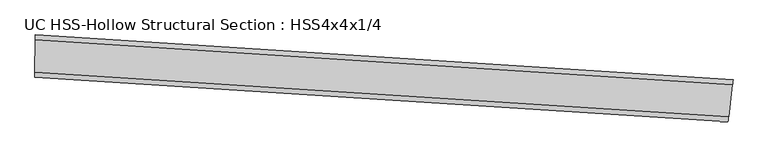
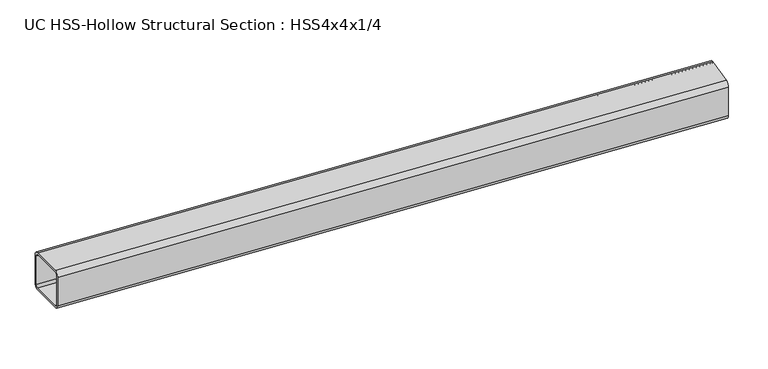
"""IFC4 building model written with IfcOpenShell, lengths in millimetres: beam geometry, UC HSS-Hollow Structural Section : HSS4x4x1/4."""

from ifc_helpers import new_model, si_unit, point, frame, origin, place, context, project, spatial, polyline, circle_curve, ellipse_curve, trimmed, source, transform, mapped, element, save
from ifc_brep_helpers import plane_surface, cylinder_surface, revolved_surface, advanced_brep


def uc_hss_hollow_structural_section_hss4x4x1_4_ca651f23(model_context):
    return source(origin(), model_context, "Body", "AdvancedBrep", [
        advanced_brep(
        [(1769.2409507, -57.3490586, 38.9636), (1767.7992814, -69.0973331, 50.8), (1758.3077762, -146.4443423, 50.8), (1756.866107, -158.1926169, 38.9636), (1756.866107, -158.1926169, -38.9636), (1758.3077762, -146.4443423, -50.8), (1767.7992814, -69.0973331, -50.8), (1769.2409507, -57.3490586, -38.9636), (1758.3077762, -146.4443423, 44.8818), (1767.7992814, -69.0973331, 44.8818), (1768.520116, -63.2231959, 38.9636), (1768.520116, -63.2231959, -38.9636), (1767.7992814, -69.0973331, -44.8818), (1758.3077762, -146.4443423, -44.8818), (1757.5869416, -152.3184796, -38.9636), (1757.5869416, -152.3184796, 38.9636), (89.6003282, 50.5236545, 38.9636), (89.6003282, 50.5236545, -38.9636), (89.5273172, 38.6874797, -50.8), (89.0466353, -39.2382378, -50.8), (88.9736243, -51.0744126, -38.9636), (88.9736243, -51.0744126, 38.9636), (89.0466353, -39.2382378, 50.8), (89.5273172, 38.6874797, 50.8), (89.0466353, -39.2382378, 44.8818), (89.0101298, -45.1563252, 38.9636), (89.0101298, -45.1563252, -38.9636), (89.0466353, -39.2382378, -44.8818), (89.5273172, 38.6874797, -44.8818), (89.5638227, 44.6055671, -38.9636), (89.5638227, 44.6055671, 38.9636), (89.5273172, 38.6874797, 44.8818)],
        [
            (0, 1, circle_curve(frame((1767.7992814, -69.0973331, 38.9636), z_axis=(0.9925547073177132, -0.12179964278046354, 0.0), x_axis=(-0.12179964278046354, -0.9925547073177132, 0.0)), 11.8364)),
            (1, 2),
            (2, 3, circle_curve(frame((1758.3077762, -146.4443423, 38.9636), z_axis=(0.9925547073177132, -0.12179964278046354, 0.0), x_axis=(-0.12179964278046354, -0.9925547073177132, 0.0)), 11.8364)),
            (3, 4),
            (4, 5, circle_curve(frame((1758.3077762, -146.4443423, -38.9636), z_axis=(0.9925547073177132, -0.12179964278046354, 0.0), x_axis=(-0.12179964278046354, -0.9925547073177132, 0.0)), 11.8364)),
            (5, 6),
            (6, 7, circle_curve(frame((1767.7992814, -69.0973331, -38.9636), z_axis=(0.9925547073177132, -0.12179964278046354, 0.0), x_axis=(-0.12179964278046354, -0.9925547073177132, 0.0)), 11.8364)),
            (7, 0),
            (8, 9),
            (9, 10, circle_curve(frame((1767.7992814, -69.0973331, 38.9636), z_axis=(-0.9925547073177132, 0.12179964278046354, 0.0), x_axis=(-0.12179964278046354, -0.9925547073177132, 0.0)), 5.9182)),
            (10, 11),
            (11, 12, circle_curve(frame((1767.7992814, -69.0973331, -38.9636), z_axis=(-0.9925547073177132, 0.12179964278046354, 0.0), x_axis=(-0.12179964278046354, -0.9925547073177132, 0.0)), 5.9182)),
            (12, 13),
            (13, 14, circle_curve(frame((1758.3077762, -146.4443423, -38.9636), z_axis=(-0.9925547073177132, 0.12179964278046354, 0.0), x_axis=(-0.12179964278046354, -0.9925547073177132, 0.0)), 5.9182)),
            (14, 15),
            (15, 8, circle_curve(frame((1758.3077762, -146.4443423, 38.9636), z_axis=(-0.9925547073177132, 0.12179964278046354, 0.0), x_axis=(-0.12179964278046354, -0.9925547073177132, 0.0)), 5.9182)),
            (16, 17),
            (17, 18, circle_curve(frame((89.5273172, 38.6874797, -38.9636), z_axis=(-0.9999809755811393, 0.006168344655837682, 0.0), x_axis=(-0.006168344655837682, -0.9999809755811393, 0.0)), 11.8364)),
            (18, 19),
            (19, 20, circle_curve(frame((89.0466353, -39.2382378, -38.9636), z_axis=(-0.9999809755811393, 0.006168344655837682, 0.0), x_axis=(-0.006168344655837682, -0.9999809755811393, 0.0)), 11.8364)),
            (20, 21),
            (21, 22, circle_curve(frame((89.0466353, -39.2382378, 38.9636), z_axis=(-0.9999809755811393, 0.006168344655837682, 0.0), x_axis=(-0.006168344655837682, -0.9999809755811393, 0.0)), 11.8364)),
            (22, 23),
            (23, 16, circle_curve(frame((89.5273172, 38.6874797, 38.9636), z_axis=(-0.9999809755811393, 0.006168344655837682, 0.0), x_axis=(-0.006168344655837682, -0.9999809755811393, 0.0)), 11.8364)),
            (24, 25, circle_curve(frame((89.0466353, -39.2382378, 38.9636), z_axis=(0.9999809755811393, -0.006168344655837682, 0.0), x_axis=(-0.006168344655837682, -0.9999809755811393, 0.0)), 5.9182)),
            (25, 26),
            (26, 27, circle_curve(frame((89.0466353, -39.2382378, -38.9636), z_axis=(0.9999809755811393, -0.006168344655837682, 0.0), x_axis=(-0.006168344655837682, -0.9999809755811393, 0.0)), 5.9182)),
            (27, 28),
            (28, 29, circle_curve(frame((89.5273172, 38.6874797, -38.9636), z_axis=(0.9999809755811393, -0.006168344655837682, 0.0), x_axis=(-0.006168344655837682, -0.9999809755811393, 0.0)), 5.9182)),
            (29, 30),
            (30, 31, circle_curve(frame((89.5273172, 38.6874797, 38.9636), z_axis=(0.9999809755811393, -0.006168344655837682, 0.0), x_axis=(-0.006168344655837682, -0.9999809755811393, 0.0)), 5.9182)),
            (31, 24),
            (0, 16, circle_curve(frame((0.0, -14475.0303741, 38.9636), z_axis=(0.0, 0.0, 1.0), x_axis=(-0.1195687675970145, -0.9928259212043827, 0.0)), 14525.8303741)),
            (23, 1, circle_curve(frame((0.0, -14475.0303741, 50.8), z_axis=(0.0, 0.0, -1.0), x_axis=(-0.1195687675970145, -0.9928259212043827, 0.0)), 14513.9939741)),
            (22, 2, circle_curve(frame((0.0, -14475.0303741, 50.8), z_axis=(0.0, 0.0, -1.0), x_axis=(-0.1195687675970145, -0.9928259212043827, 0.0)), 14436.0667741)),
            (21, 3, circle_curve(frame((0.0, -14475.0303741, 38.9636), z_axis=(0.0, 0.0, -1.0), x_axis=(-0.1195687675970145, -0.9928259212043827, 0.0)), 14424.2303741)),
            (20, 4, circle_curve(frame((0.0, -14475.0303741, -38.9636), z_axis=(0.0, 0.0, -1.0), x_axis=(-0.1195687675970145, -0.9928259212043827, 0.0)), 14424.2303741)),
            (19, 5, circle_curve(frame((0.0, -14475.0303741, -50.8), z_axis=(0.0, 0.0, -1.0), x_axis=(-0.1195687675970145, -0.9928259212043827, 0.0)), 14436.0667741)),
            (18, 6, circle_curve(frame((0.0, -14475.0303741, -50.8), z_axis=(0.0, 0.0, -1.0), x_axis=(-0.1195687675970145, -0.9928259212043827, 0.0)), 14513.9939741)),
            (17, 7, circle_curve(frame((0.0, -14475.0303741, -38.9636), z_axis=(0.0, 0.0, -1.0), x_axis=(-0.1195687675970145, -0.9928259212043827, 0.0)), 14525.8303741)),
            (8, 24, circle_curve(frame((0.0, -14475.0303741, 44.8818), z_axis=(0.0, 0.0, 1.0), x_axis=(-0.1195687675970145, -0.9928259212043827, 0.0)), 14436.0667741)),
            (31, 9, circle_curve(frame((0.0, -14475.0303741, 44.8818), z_axis=(0.0, 0.0, -1.0), x_axis=(-0.1195687675970145, -0.9928259212043827, 0.0)), 14513.9939741)),
            (30, 10, circle_curve(frame((0.0, -14475.0303741, 38.9636), z_axis=(0.0, 0.0, -1.0), x_axis=(-0.1195687675970145, -0.9928259212043827, 0.0)), 14519.9121741)),
            (29, 11, circle_curve(frame((0.0, -14475.0303741, -38.9636), z_axis=(0.0, 0.0, -1.0), x_axis=(-0.1195687675970145, -0.9928259212043827, 0.0)), 14519.9121741)),
            (28, 12, circle_curve(frame((0.0, -14475.0303741, -44.8818), z_axis=(0.0, 0.0, -1.0), x_axis=(-0.1195687675970145, -0.9928259212043827, 0.0)), 14513.9939741)),
            (27, 13, circle_curve(frame((0.0, -14475.0303741, -44.8818), z_axis=(0.0, 0.0, -1.0), x_axis=(-0.1195687675970145, -0.9928259212043827, 0.0)), 14436.0667741)),
            (26, 14, circle_curve(frame((0.0, -14475.0303741, -38.9636), z_axis=(0.0, 0.0, -1.0), x_axis=(-0.1195687675970145, -0.9928259212043827, 0.0)), 14430.1485741)),
            (25, 15, circle_curve(frame((0.0, -14475.0303741, 38.9636), z_axis=(0.0, 0.0, -1.0), x_axis=(-0.1195687675970145, -0.9928259212043827, 0.0)), 14430.1485741)),
        ],
        [
            plane_surface(frame((1763.0535288, -107.7708377, 0.0), z_axis=(0.9925547073177118, -0.12179964278047657, 0.0), x_axis=(0.0, 0.0, 1.0))),
            plane_surface(frame((89.2869763, -0.275379, 0.0), z_axis=(-0.9999809755811392, 0.006168344655844121, 0.0), x_axis=(0.0, 0.0, 1.0))),
            revolved_surface(trimmed(ellipse_curve(frame((-1735.4203724, -28884.8998119, 38.9636), z_axis=(0.9928259212043834, -0.11956876759700853, 0.0), x_axis=(0.11956876759700853, 0.9928259212043834, 0.0)), 11.8364, 11.8364), [point((-1735.4203724, -28884.8998119, 50.8))], [point((-1736.8356362, -28896.6512966, 38.9636))], True, "CARTESIAN"), (0.0, -14475.0303741, 0.0), (0.0, 0.0, -1.0)),
            plane_surface(frame((0.0, -14475.0303741, 50.8), z_axis=(0.0, 0.0, 1.0), x_axis=(-0.1195687675970145, -0.9928259212043827, 0.0))),
            revolved_surface(trimmed(ellipse_curve(frame((-1726.1027131, -28807.5316677, 38.9636), z_axis=(0.9928259212043834, -0.11956876759700853, 0.0), x_axis=(0.11956876759700853, 0.9928259212043834, 0.0)), 11.8364, 11.8364), [point((-1724.6874494, -28795.780183, 38.9636))], [point((-1726.1027131, -28807.5316677, 50.8))], True, "CARTESIAN"), (0.0, -14475.0303741, 0.0), (0.0, 0.0, -1.0)),
            revolved_surface(polyline([(-1724.6874493665603, -28795.780182930073, -38.9636), (-1724.6874493665603, -28795.780182930073, 38.9636)]), (0.0, -14475.0303741, 0.0), (0.0, 0.0, -1.0)),
            revolved_surface(trimmed(ellipse_curve(frame((-1726.1027131, -28807.5316677, -38.9636), z_axis=(0.9928259212043834, -0.11956876759700853, 0.0), x_axis=(0.11956876759700853, 0.9928259212043834, 0.0)), 11.8364, 11.8364), [point((-1726.1027131, -28807.5316677, -50.8))], [point((-1724.6874494, -28795.780183, -38.9636))], True, "CARTESIAN"), (0.0, -14475.0303741, 0.0), (0.0, 0.0, -1.0)),
            plane_surface(frame((0.0, -14475.0303741, -50.8), z_axis=(0.0, 0.0, -1.0), x_axis=(-0.1195687675970145, -0.9928259212043827, 0.0))),
            revolved_surface(trimmed(ellipse_curve(frame((-1735.4203724, -28884.8998119, -38.9636), z_axis=(0.9928259212043834, -0.11956876759700853, 0.0), x_axis=(0.11956876759700853, 0.9928259212043834, 0.0)), 11.8364, 11.8364), [point((-1736.8356362, -28896.6512966, -38.9636))], [point((-1735.4203724, -28884.8998119, -50.8))], True, "CARTESIAN"), (0.0, -14475.0303741, 0.0), (0.0, 0.0, -1.0)),
            cylinder_surface(frame((0.0, -14475.0303741, 0.0), z_axis=(0.0, 0.0, -1.0), x_axis=(-0.1195687675970145, -0.9928259212043827, 0.0)), 14525.8303741),
            plane_surface(frame((0.0, -14475.0303741, 44.8818), z_axis=(0.0, 0.0, -1.0), x_axis=(-0.1195687675970145, -0.9928259212043827, 0.0))),
            revolved_surface(trimmed(ellipse_curve(frame((-1735.4203724, -28884.8998119, 38.9636), z_axis=(-0.9928259212043834, 0.11956876759700853, 0.0), x_axis=(0.11956876759700853, 0.9928259212043834, 0.0)), 5.9182, 5.9182), [point((-1736.1280043, -28890.7755542, 38.9636))], [point((-1735.4203724, -28884.8998119, 44.8818))], True, "CARTESIAN"), (0.0, -14475.0303741, 0.0), (0.0, 0.0, -1.0)),
            revolved_surface(polyline([(-1736.1280042740245, -28890.775554157564, -38.9636), (-1736.1280042740245, -28890.775554157564, 38.9636)]), (0.0, -14475.0303741, 0.0), (0.0, 0.0, -1.0)),
            revolved_surface(trimmed(ellipse_curve(frame((-1735.4203724, -28884.8998119, -38.9636), z_axis=(-0.9928259212043834, 0.11956876759700853, 0.0), x_axis=(0.11956876759700853, 0.9928259212043834, 0.0)), 5.9182, 5.9182), [point((-1735.4203724, -28884.8998119, -44.8818))], [point((-1736.1280043, -28890.7755542, -38.9636))], True, "CARTESIAN"), (0.0, -14475.0303741, 0.0), (0.0, 0.0, -1.0)),
            plane_surface(frame((0.0, -14475.0303741, -44.8818), z_axis=(0.0, 0.0, 1.0), x_axis=(-0.1195687675970145, -0.9928259212043827, 0.0))),
            revolved_surface(trimmed(ellipse_curve(frame((-1726.1027131, -28807.5316677, -38.9636), z_axis=(-0.9928259212043834, 0.11956876759700853, 0.0), x_axis=(0.11956876759700853, 0.9928259212043834, 0.0)), 5.9182, 5.9182), [point((-1725.3950813, -28801.6559254, -38.9636))], [point((-1726.1027131, -28807.5316677, -44.8818))], True, "CARTESIAN"), (0.0, -14475.0303741, 0.0), (0.0, 0.0, -1.0)),
            cylinder_surface(frame((0.0, -14475.0303741, 0.0), z_axis=(0.0, 0.0, -1.0), x_axis=(-0.1195687675970145, -0.9928259212043827, 0.0)), 14430.1485741),
            revolved_surface(trimmed(ellipse_curve(frame((-1726.1027131, -28807.5316677, 38.9636), z_axis=(-0.9928259212043834, 0.11956876759700853, 0.0), x_axis=(0.11956876759700853, 0.9928259212043834, 0.0)), 5.9182, 5.9182), [point((-1726.1027131, -28807.5316677, 44.8818))], [point((-1725.3950813, -28801.6559254, 38.9636))], True, "CARTESIAN"), (0.0, -14475.0303741, 0.0), (0.0, 0.0, -1.0)),
        ],
        [
            (0, [[1, 2, 3, 4, 5, 6, 7, 8], [9, 10, 11, 12, 13, 14, 15, 16]]),
            (1, [[17, 18, 19, 20, 21, 22, 23, 24], [25, 26, 27, 28, 29, 30, 31, 32]]),
            (2, [[-1, 33, -24, 34]]),
            (3, [[-2, -34, -23, 35]]),
            (4, [[-3, -35, -22, 36]]),
            (5, [[-4, -36, -21, 37]]),
            (6, [[-5, -37, -20, 38]]),
            (7, [[-6, -38, -19, 39]]),
            (8, [[-7, -39, -18, 40]]),
            (9, [[-8, -40, -17, -33]]),
            (10, [[-9, 41, -32, 42]]),
            (11, [[-10, -42, -31, 43]]),
            (12, [[-11, -43, -30, 44]]),
            (13, [[-12, -44, -29, 45]]),
            (14, [[-13, -45, -28, 46]]),
            (15, [[-14, -46, -27, 47]]),
            (16, [[-15, -47, -26, 48]]),
            (17, [[-16, -48, -25, -41]]),
        ],
    ),
    ])


if __name__ == "__main__":
    model = new_model("IFC4")
    model_context = context("Model", 3, world=origin())
    ifc_project = project(units=[si_unit("LENGTHUNIT", "METRE", prefix="MILLI")], contexts=[model_context])
    site = spatial("IfcSite", under=ifc_project)
    building = spatial("IfcBuilding", under=site)
    placement = place(None, origin())
    uc_hss_hollow_structural_section_hss4x4x1_4_shape = uc_hss_hollow_structural_section_hss4x4x1_4_ca651f23(model_context)
    element("IfcBeam", 1, ObjectType="UC HSS-Hollow Structural Section : HSS4x4x1/4", at=placement, inside=building, context=model_context, shape_type="MappedRepresentation", body=[
        mapped(uc_hss_hollow_structural_section_hss4x4x1_4_shape, transform((0.0, 0.0, 0.0), x_axis=(1.0, 0.0, 0.0), y_axis=(0.0, 1.0, 0.0), z_axis=(0.0, 0.0, 1.0))),
    ])
    save(model, "model.ifc")
